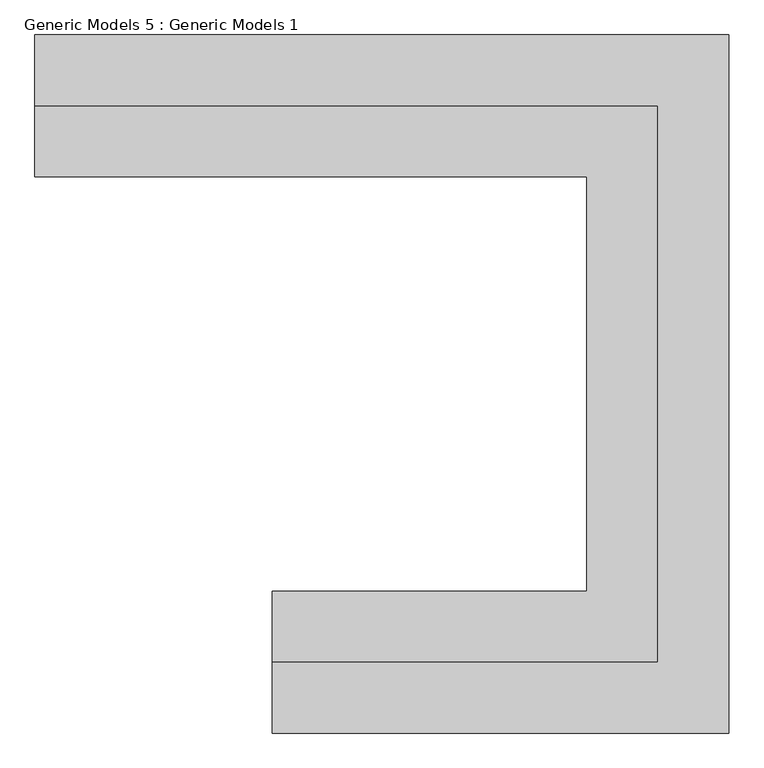
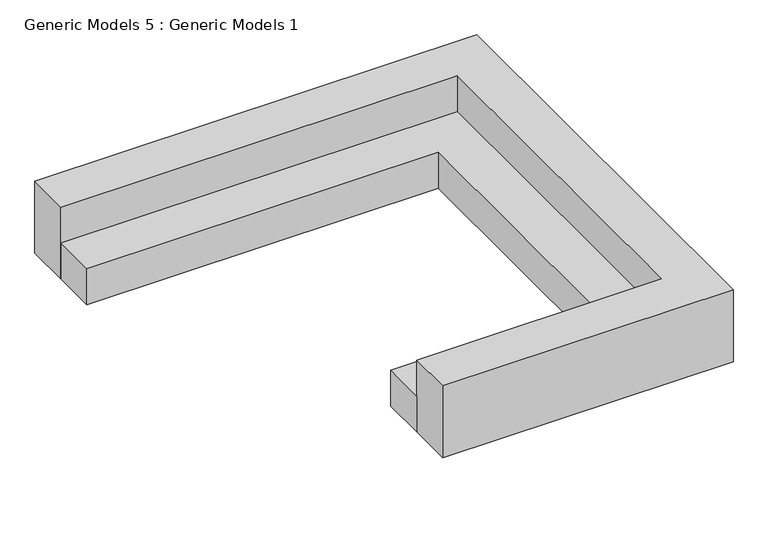
"""IFC4 building model written with IfcOpenShell, lengths in millimetres: proxy geometry, Generic Models 5 : Generic Models 1."""

from ifc_helpers import new_model, si_unit, origin, origin_with_axes, place, context, project, spatial, polyline, outline, extrude, source, transform, mapped, element, save


def generic_models_5_generic_models_1_dabc1ca2(model_context):
    return source(origin(), model_context, "Body", "SweptSolid", [
        extrude(outline(polyline([(461027.2504676, -201133.8488632), (458403.1258545, -201133.8488632), (458403.1258545, -200651.2488632), (460544.6504676, -200651.2488632), (460544.6504676, -197827.1205223), (456785.4504676, -197827.1205223), (456785.4504676, -197344.5205223), (461027.2504676, -197344.5205223), (461027.2504676, -201133.8488632)])), origin_with_axes(), (0.0, 0.0, 1.0), 406.4),
        extrude(outline(polyline([(461027.2504676, -197344.5205223), (456785.4504676, -197344.5205223), (456785.4504676, -196861.9205223), (461509.8504676, -196861.9205223), (461509.8504676, -201616.4488632), (458403.1258545, -201616.4488632), (458403.1258545, -201133.8488632), (461027.2504676, -201133.8488632), (461027.2504676, -197344.5205223)])), origin_with_axes(), (0.0, 0.0, 1.0), 812.8),
    ])


if __name__ == "__main__":
    model = new_model("IFC4")
    model_context = context("Model", 3, world=origin())
    ifc_project = project(units=[si_unit("LENGTHUNIT", "METRE", prefix="MILLI")], contexts=[model_context])
    site = spatial("IfcSite", under=ifc_project)
    building = spatial("IfcBuilding", under=site)
    placement = place(None, origin())
    generic_models_5_generic_models_1_shape = generic_models_5_generic_models_1_dabc1ca2(model_context)
    element("IfcBuildingElementProxy", 1, Name="Generic Models 5 : Generic Models 1", ObjectType="Generic Models 5 : Generic Models 1", at=placement, inside=building, context=model_context, shape_type="MappedRepresentation", body=[
        mapped(generic_models_5_generic_models_1_shape, transform((0.0, 0.0, 0.0), x_axis=(1.0, 0.0, 0.0), y_axis=(0.0, 1.0, 0.0), z_axis=(0.0, 0.0, 1.0))),
    ])
    save(model, "model.ifc")
